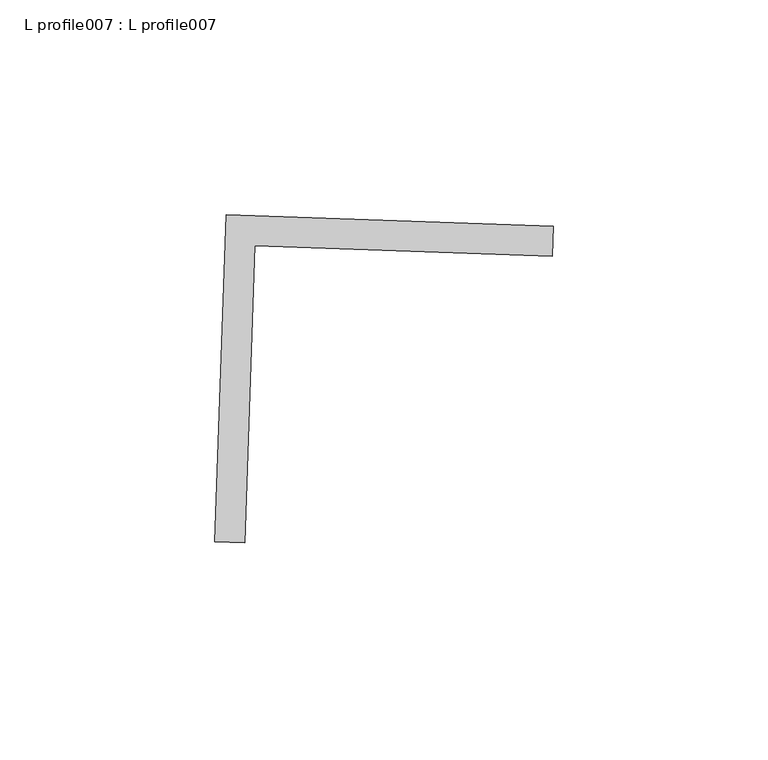
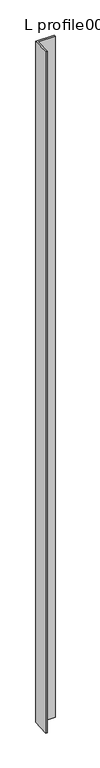
"""IFC4 building model written with IfcOpenShell, lengths in millimetres: proxy geometry, L profile007 : L profile007."""

from ifc_helpers import new_model, si_unit, frame, origin, place, context, project, spatial, polyline, outline, extrude, source, transform, mapped, element, save


def l_profile007_l_profile007_8365586f(model_context):
    return source(origin(), model_context, "Body", "SweptSolid", [
        extrude(outline(polyline([(17448.8442951, -14584.536782), (17524.9972811, -14587.2131078), (17524.7534652, -14594.1507192), (17455.5380907, -14591.7182094), (17453.1055808, -14660.9335839), (17446.1679693, -14660.689768), (17448.8442951, -14584.536782)])), frame((0.0, 0.0, 73.975708), z_axis=(0.0, 0.0, 1.0), x_axis=(1.0, 0.0, 0.0)), (0.0, 0.0, 1.0), 2959.106901),
    ])


if __name__ == "__main__":
    model = new_model("IFC4")
    model_context = context("Model", 3, world=origin())
    ifc_project = project(units=[si_unit("LENGTHUNIT", "METRE", prefix="MILLI")], contexts=[model_context])
    site = spatial("IfcSite", under=ifc_project)
    building = spatial("IfcBuilding", under=site)
    placement = place(None, origin())
    l_profile007_l_profile007_shape = l_profile007_l_profile007_8365586f(model_context)
    element("IfcBuildingElementProxy", 1, Name="L profile007 : L profile007", ObjectType="L profile007 : L profile007", at=placement, inside=building, context=model_context, shape_type="MappedRepresentation", body=[
        mapped(l_profile007_l_profile007_shape, transform((0.0, 0.0, 0.0), x_axis=(1.0, 0.0, 0.0), y_axis=(0.0, 1.0, 0.0), z_axis=(0.0, 0.0, 1.0))),
    ])
    save(model, "model.ifc")
